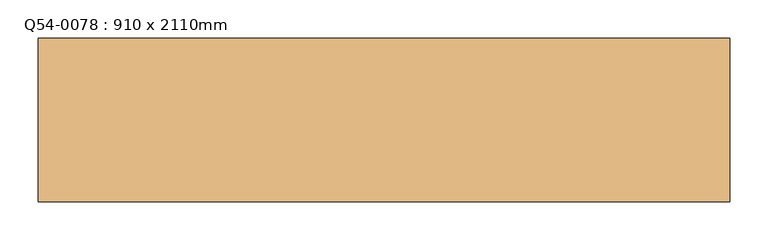
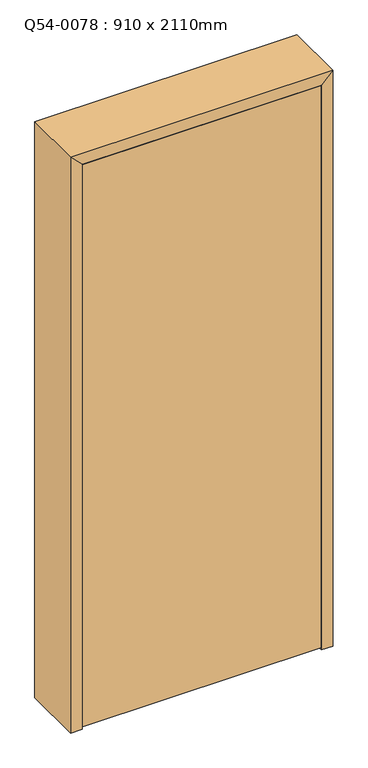
"""IFC4 building model written with IfcOpenShell, lengths in millimetres: door geometry, Q54-0078 : 910 x 2110mm."""

import ifcopenshell
import ifcopenshell.guid

model = None  # the IFC model being written
_history = None  # IfcOwnerHistory: only IFC2X3 demands one
_inside = {}  # id of a spatial element -> (the spatial element, [elements in it])
_under = {}  # id of a project, library or spatial element -> (it, [spatial elements below it])
_declared = {}  # id of a project -> (the project, [libraries it declares])
_typed = {}  # id of a type object -> (the type object, [elements of that type])
_made_of = {}  # id of a material, layer set ... -> (it, [elements and type objects made of it])


def new_model(schema):
    """Start an empty IFC model of exactly this schema.

    Asked for "IFC4X3", IfcOpenShell would pick the latest addendum, in which some entities
    have other attributes; the version numbers below select the first issue.
    IFC2X3 requires an IfcOwnerHistory on every rooted entity: one is made here for all.
    """
    global model, _history
    if schema == "IFC4X3":
        model = ifcopenshell.file(schema_version=(4, 3, 0, 0))
    else:
        model = ifcopenshell.file(schema=schema)
    _inside.clear()
    _under.clear()
    _declared.clear()
    _typed.clear()
    _made_of.clear()
    _history = None
    if model.schema == "IFC2X3":
        org = make("IfcOrganization", Name="unknown")
        user = make(
            "IfcPersonAndOrganization",
            ThePerson=make("IfcPerson", FamilyName="unknown"),
            TheOrganization=org,
        )
        app = make(
            "IfcApplication",
            ApplicationDeveloper=org,
            Version="unknown",
            ApplicationFullName="unknown",
            ApplicationIdentifier="unknown",
        )
        _history = make(
            "IfcOwnerHistory",
            OwningUser=user,
            OwningApplication=app,
            ChangeAction="ADDED",
            CreationDate=0,
        )
    return model


def make(cls, **values):
    """One entity of the class cls with the attributes given. An attribute that is None is left unset."""
    return model.create_entity(
        cls, **{name: value for name, value in values.items() if value is not None}
    )


def rooted(cls, **values):
    """An entity with a GlobalId (a new one), such as an element, a storey or a relation."""
    return make(cls, GlobalId=ifcopenshell.guid.new(), OwnerHistory=_history, **values)


def si_unit(unit_type, name, prefix=None):
    """IfcSIUnit, for example si_unit("LENGTHUNIT", "METRE", prefix="MILLI")."""
    return make("IfcSIUnit", UnitType=unit_type, Prefix=prefix, Name=name)


def assignment(units):
    """IfcUnitAssignment: the units of a project."""
    return None if units is None else make("IfcUnitAssignment", Units=units)


def point(xyz):
    """IfcCartesianPoint."""
    return None if xyz is None else make("IfcCartesianPoint", Coordinates=xyz)


def direction(xyz):
    """IfcDirection."""
    return None if xyz is None else make("IfcDirection", DirectionRatios=xyz)


def frame(location, z_axis=None, x_axis=None):
    """IfcAxis2Placement3D, a coordinate frame: its origin and axes. An axis left out is left unset."""
    return make(
        "IfcAxis2Placement3D",
        Location=point(location),
        Axis=direction(z_axis),
        RefDirection=direction(x_axis),
    )


def origin():
    """The frame at (0, 0, 0) with its axes left unset."""
    return frame((0.0, 0.0, 0.0))


def place(relative_to, where):
    """IfcLocalPlacement: puts the frame where relative to a parent placement (None: the world)."""
    return make(
        "IfcLocalPlacement", PlacementRelTo=relative_to, RelativePlacement=where
    )


def context(
    kind, dimensions, precision=None, world=None, true_north=None, identifier=None
):
    """IfcGeometricRepresentationContext, for example the 3D "Model" context."""
    return make(
        "IfcGeometricRepresentationContext",
        ContextIdentifier=identifier,
        ContextType=kind,
        CoordinateSpaceDimension=dimensions,
        Precision=precision,
        WorldCoordinateSystem=world,
        TrueNorth=true_north,
    )


def project(units=None, contexts=None):
    """IfcProject with its units and contexts."""
    return rooted(
        "IfcProject",
        Name="project",
        RepresentationContexts=contexts,
        UnitsInContext=assignment(units),
    )


def spatial(cls, under=None, at=None, **own):
    """A site, building, storey or space (cls), placed at a placement, below another one or the project."""
    s = rooted(cls, ObjectPlacement=at, **own)
    if under is not None:
        _under.setdefault(under.id(), (under, []))[1].append(s)
    return s


def polyline(points):
    """IfcPolyline through the points."""
    return make("IfcPolyline", Points=[point(p) for p in points])


def outline(outer, holes=None, kind="AREA"):
    """IfcArbitraryClosedProfileDef: a profile drawn as a closed curve; with holes, ...WithVoids."""
    if holes is None:
        return make("IfcArbitraryClosedProfileDef", ProfileType=kind, OuterCurve=outer)
    return make(
        "IfcArbitraryProfileDefWithVoids",
        ProfileType=kind,
        OuterCurve=outer,
        InnerCurves=holes,
    )


def extrude(swept, where, along, depth):
    """IfcExtrudedAreaSolid: the profile swept, set in the frame where, extruded along a direction by depth."""
    return make(
        "IfcExtrudedAreaSolid",
        SweptArea=swept,
        Position=where,
        ExtrudedDirection=direction(along),
        Depth=depth,
    )


def faces_of(points, faces, orient=None, outer=None):
    """IfcFace entities. A face is a list of loops; a loop is a list of indices into points, from 0.

    orient and outer hold one flag for each loop. By default every Orientation is true, the
    first loop of a face is its IfcFaceOuterBound and the others are IfcFaceBound.
    """
    made = []
    for i, loops in enumerate(faces):
        bounds = []
        for j, loop in enumerate(loops):
            is_outer = j == 0 if outer is None else outer[i][j]
            bounds.append(
                make(
                    "IfcFaceOuterBound" if is_outer else "IfcFaceBound",
                    Bound=make("IfcPolyLoop", Polygon=[points[k] for k in loop]),
                    Orientation=True if orient is None else orient[i][j],
                )
            )
        made.append(make("IfcFace", Bounds=bounds))
    return made


def faceted_brep(points, faces, orient=None, outer=None, voids=None):
    """IfcFacetedBrep: a solid bounded by flat faces; with voids (closed shells), ...WithVoids."""
    shared = [point(p) for p in points]
    hull = make("IfcClosedShell", CfsFaces=faces_of(shared, faces, orient, outer))
    if voids is None:
        return make("IfcFacetedBrep", Outer=hull)
    return make(
        "IfcFacetedBrepWithVoids",
        Outer=hull,
        Voids=[
            make(cls, CfsFaces=faces_of(shared, fs, o, b)) for cls, fs, o, b in voids
        ],
    )


def shape(context_of_items, identifier, shape_type, items):
    """IfcShapeRepresentation: the items that make up one representation, for example the "Body"."""
    return make(
        "IfcShapeRepresentation",
        ContextOfItems=context_of_items,
        RepresentationIdentifier=identifier,
        RepresentationType=shape_type,
        Items=items,
    )


def source(mapping_origin, context_of_items, identifier, shape_type, items):
    """IfcRepresentationMap: a shape defined once, which mapped items show again and again."""
    return make(
        "IfcRepresentationMap",
        MappingOrigin=mapping_origin,
        MappedRepresentation=shape(context_of_items, identifier, shape_type, items),
    )


def transform(
    local_origin,
    x_axis=None,
    y_axis=None,
    z_axis=None,
    scale=None,
    scale2=None,
    scale3=None,
    uniform=True,
):
    """IfcCartesianTransformationOperator3D, or its non-uniform kind. x_axis, y_axis, z_axis: its Axis1, 2, 3."""
    if uniform:
        return make(
            "IfcCartesianTransformationOperator3D",
            Axis1=direction(x_axis),
            Axis2=direction(y_axis),
            LocalOrigin=point(local_origin),
            Scale=scale,
            Axis3=direction(z_axis),
        )
    return make(
        "IfcCartesianTransformationOperator3DnonUniform",
        Axis1=direction(x_axis),
        Axis2=direction(y_axis),
        LocalOrigin=point(local_origin),
        Scale=scale,
        Axis3=direction(z_axis),
        Scale2=scale2,
        Scale3=scale3,
    )


def mapped(mapping_source, mapping_target):
    """IfcMappedItem: shows the shape of a source again, moved by a transform."""
    return make(
        "IfcMappedItem", MappingSource=mapping_source, MappingTarget=mapping_target
    )


def made_of(thing, what):
    """Note that an element or type object is made of a material, layer set ...; save() writes the relation."""
    if what is not None:
        _made_of.setdefault(what.id(), (what, []))[1].append(thing)
    return thing


def element(
    cls,
    number,
    at=None,
    inside=None,
    cuts=None,
    type_object=None,
    material=None,
    context=None,
    identifier="Body",
    shape_type=None,
    held_by="IfcProductDefinitionShape",
    body=None,
    shapes=None,
    **own,
):
    """One element of the class cls, such as IfcWall. Its Tag is "e" and its number.

    at: its placement. inside: the storey or other place that contains it. cuts: it is an
    opening in that element (IfcRelVoidsElement). A single representation is given by context,
    identifier, shape_type and body (its items); several are given by shapes. held_by: the class
    of the entity that holds the representations. save() writes the other relations.
    """
    e = rooted(cls, Tag="e%d" % number, ObjectPlacement=at, **own)
    if body is not None:
        shapes = [shape(context, identifier, shape_type, body)]
    if shapes is not None:
        e.Representation = make(held_by, Representations=shapes)
    if inside is not None:
        _inside.setdefault(inside.id(), (inside, []))[1].append(e)
    if cuts is not None:
        rooted(
            "IfcRelVoidsElement", RelatingBuildingElement=cuts, RelatedOpeningElement=e
        )
    if type_object is not None:
        _typed.setdefault(type_object.id(), (type_object, []))[1].append(e)
    return made_of(e, material)


def aggregate(whole, parts):
    """IfcRelAggregates: a whole, such as a stair, and the parts it consists of."""
    return rooted("IfcRelAggregates", RelatingObject=whole, RelatedObjects=parts)


def save(model, path):
    """Write the relations noted so far, then the file.

    IfcRelAggregates (storeys below a building ...), IfcRelContainedInSpatialStructure (elements
    in a storey), IfcRelDefinesByType, IfcRelAssociatesMaterial and IfcRelDeclares: one each for
    every whole, place, type object, material and project.
    """
    for whole, parts in _under.values():
        aggregate(whole, parts)
    for where, things in _inside.values():
        rooted(
            "IfcRelContainedInSpatialStructure",
            RelatedElements=things,
            RelatingStructure=where,
        )
    for kind, things in _typed.values():
        rooted("IfcRelDefinesByType", RelatedObjects=things, RelatingType=kind)
    for what, things in _made_of.values():
        rooted("IfcRelAssociatesMaterial", RelatedObjects=things, RelatingMaterial=what)
    for by, libraries in _declared.values():
        rooted("IfcRelDeclares", RelatingContext=by, RelatedDefinitions=libraries)
    model.write(path)


def q54_0078_910_x_2110mm_13117fff(model_context):
    return source(origin(), model_context, "Body", "SolidModel", [
        faceted_brep([(-415.0, 107.5, 0.0), (-415.0, -107.5, 0.0), (-455.0, -107.5, 0.0), (-455.0, 107.5, 0.0), (-455.0, 107.5, 2110.0), (-415.0, 107.5, 2070.0), (-455.0, -107.5, 2110.0), (-415.0, -107.5, 2070.0), (455.0, 107.5, 2110.0), (415.0, 107.5, 2070.0), (455.0, -107.5, 2110.0), (415.0, -107.5, 2070.0), (415.0, 107.5, 0.0), (455.0, 107.5, 0.0), (455.0, -107.5, 0.0), (415.0, -107.5, 0.0)], [[[0, 1, 2, 3]], [[3, 4, 5, 0]], [[2, 6, 4, 3]], [[1, 7, 6, 2]], [[0, 5, 7, 1]], [[4, 8, 9, 5]], [[6, 10, 8, 4]], [[7, 11, 10, 6]], [[5, 9, 11, 7]], [[12, 13, 14, 15]], [[8, 13, 12, 9]], [[10, 14, 13, 8]], [[11, 15, 14, 10]], [[9, 12, 15, 11]]]),
        extrude(outline(polyline([(413.0, -69.5), (413.0, -107.5), (-413.0, -107.5), (-413.0, -69.5), (413.0, -69.5)])), frame((0.0, 0.0, 8.0), z_axis=(0.0, 0.0, 1.0), x_axis=(1.0, 0.0, 0.0)), (0.0, 0.0, 1.0), 2060.0),
        extrude(outline(polyline([(0.0, -396.0), (2051.0, -396.0), (2051.0, 396.0), (0.0, 396.0), (0.0, 415.0), (2070.0, 415.0), (2070.0, -415.0), (0.0, -415.0), (0.0, -396.0)])), frame((0.0, -67.5, 0.0), z_axis=(0.0, 1.0, 0.0), x_axis=(0.0, 0.0, 1.0)), (0.0, 0.0, 1.0), 32.0),
    ])


if __name__ == "__main__":
    model = new_model("IFC4")
    model_context = context("Model", 3, world=origin())
    ifc_project = project(units=[si_unit("LENGTHUNIT", "METRE", prefix="MILLI")], contexts=[model_context])
    site = spatial("IfcSite", under=ifc_project)
    building = spatial("IfcBuilding", under=site)
    placement = place(None, origin())
    q54_0078_910_x_2110mm_shape = q54_0078_910_x_2110mm_13117fff(model_context)
    element("IfcDoor", 1, ObjectType="Q54-0078 : 910 x 2110mm", at=placement, inside=building, context=model_context, shape_type="MappedRepresentation", body=[
        mapped(q54_0078_910_x_2110mm_shape, transform((0.0, 0.0, 0.0), x_axis=(1.0, 0.0, 0.0), y_axis=(0.0, 1.0, 0.0), z_axis=(0.0, 0.0, 1.0))),
    ])
    save(model, "model.ifc")
